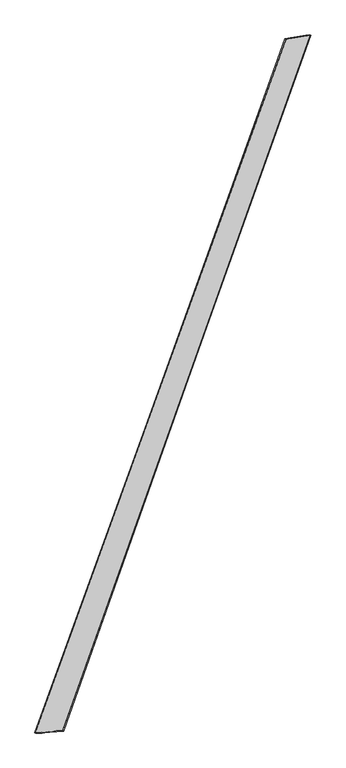
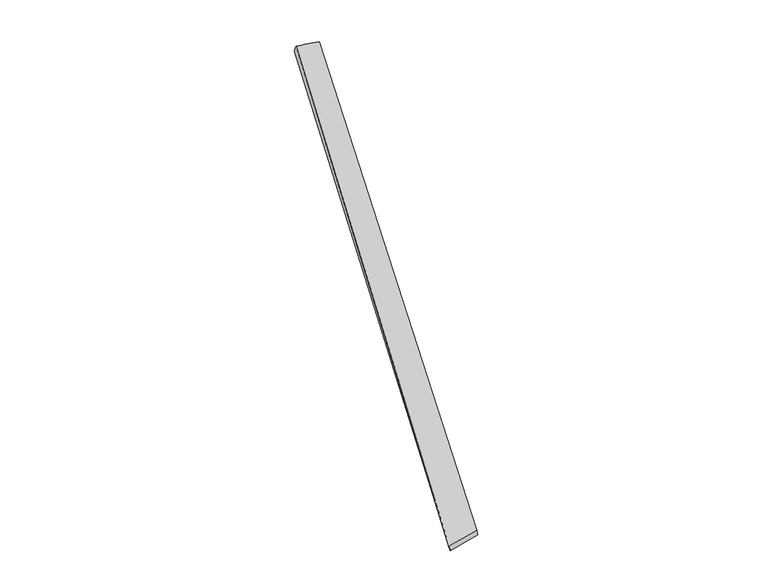
"""IFC4 building model written with IfcOpenShell, lengths in millimetres: proxy geometry."""

from ifc_helpers import new_model, si_unit, origin, place, context, project, spatial, source, transform, mapped, element, save
from ifc_brep_helpers import spline_surface, advanced_brep


def generic_models_ac21a114(model_context):
    return source(origin(), model_context, "Body", "AdvancedBrep", [
        advanced_brep(
        [(-769.9815145, -1950.6198366, -18.0920457), (-777.1655837, -1948.3093498, 10.9432914), (767.2174825, 2309.2990446, 49.6979726), (759.0778437, 2312.4816714, 20.9992415), (-605.6850236, -1937.118093, 47.390884), (919.540775, 2334.7412104, 7.6790658), (-600.0267396, -1939.3845137, 18.0166239), (910.9304104, 2337.5226789, -20.9238197)],
        [
            (0, 1),
            (1, 2),
            (2, 3),
            (3, 0),
            (1, 4),
            (4, 5),
            (5, 2),
            (4, 6),
            (6, 7),
            (7, 5),
            (6, 0),
            (3, 7),
        ],
        [
            spline_surface(1, 1, [[(-769.9815145, -1950.6198366, -18.0920457), (759.0778437, 2312.4816714, 20.9992415)], [(-777.1655837, -1948.3093498, 10.9432914), (767.2174825, 2309.2990446, 49.6979726)]], [2, 2], [2, 2], [0.0, 1.0], [0.0, 1.0]),
            spline_surface(1, 1, [[(-777.1655837, -1948.3093498, 10.9432914), (767.2174825, 2309.2990446, 49.6979726)], [(-605.6850236, -1937.118093, 47.390884), (919.540775, 2334.7412104, 7.6790658)]], [2, 2], [2, 2], [0.0, 1.0], [0.0, 1.0]),
            spline_surface(1, 1, [[(-605.6850236, -1937.118093, 47.390884), (919.540775, 2334.7412104, 7.6790658)], [(-600.0267396, -1939.3845137, 18.0166239), (910.9304104, 2337.5226789, -20.9238197)]], [2, 2], [2, 2], [0.0, 1.0], [0.0, 1.0]),
            spline_surface(1, 1, [[(-600.0267396, -1939.3845137, 18.0166239), (910.9304104, 2337.5226789, -20.9238197)], [(-769.9815145, -1950.6198366, -18.0920457), (759.0778437, 2312.4816714, 20.9992415)]], [2, 2], [2, 2], [0.0, 1.0], [0.0, 1.0]),
            spline_surface(1, 1, [[(767.2174825, 2309.2990446, 49.6979726), (759.0778437, 2312.4816714, 20.9992415)], [(919.540775, 2334.7412104, 7.6790658), (910.9304104, 2337.5226789, -20.9238197)]], [2, 2], [2, 2], [0.0, 1.0], [0.0, 1.0]),
            spline_surface(1, 1, [[(-600.0267396, -1939.3845137, 18.0166239), (-769.9815145, -1950.6198366, -18.0920457)], [(-605.6850236, -1937.118093, 47.390884), (-777.1655837, -1948.3093498, 10.9432914)]], [2, 2], [2, 2], [0.0, 1.0], [0.0, 1.0]),
        ],
        [
            (0, [[1, 2, 3, 4]]),
            (1, [[5, 6, 7, -2]]),
            (2, [[8, 9, 10, -6]]),
            (3, [[11, -4, 12, -9]]),
            (4, [[-3, -7, -10, -12]]),
            (5, [[-11, -8, -5, -1]]),
        ],
    ),
    ])


if __name__ == "__main__":
    model = new_model("IFC4")
    model_context = context("Model", 3, world=origin())
    ifc_project = project(units=[si_unit("LENGTHUNIT", "METRE", prefix="MILLI")], contexts=[model_context])
    site = spatial("IfcSite", under=ifc_project)
    building = spatial("IfcBuilding", under=site)
    placement = place(None, origin())
    generic_models_shape = generic_models_ac21a114(model_context)
    element("IfcBuildingElementProxy", 1, Name="Generic Models", at=placement, inside=building, context=model_context, shape_type="MappedRepresentation", body=[
        mapped(generic_models_shape, transform((0.0, 0.0, 0.0), x_axis=(1.0, 0.0, 0.0), y_axis=(0.0, 1.0, 0.0), z_axis=(0.0, 0.0, 1.0))),
    ])
    save(model, "model.ifc")
